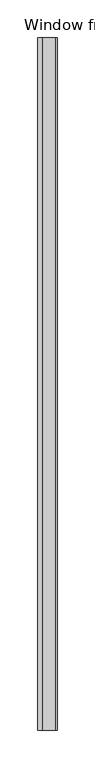
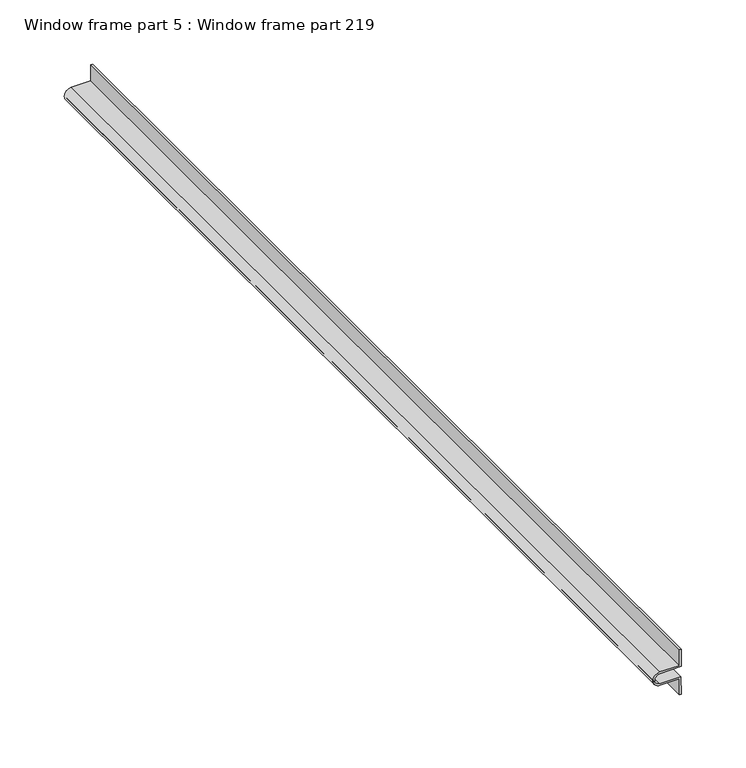
"""IFC4 building model written with IfcOpenShell, lengths in millimetres: proxy geometry, Window frame part 5 : Window frame part 219."""

from ifc_helpers import new_model, si_unit, point, frame, frame_2d, origin, place, context, project, spatial, polyline, circle_curve, trimmed, segment, composite_curve, outline, extrude, source, transform, mapped, element, save


def window_frame_part_5_window_frame_part_219_36351f6a(model_context):
    return source(origin(), model_context, "Body", "SweptSolid", [
        extrude(outline(composite_curve([segment(polyline([(1986.2124578, 37024.4239553), (1971.1312078, 37024.4239553), (1971.1312078, 37026.0114553), (1987.7999578, 37025.7574553), (1987.7999578, 37006.9614553)]), True, "CONTINUOUS"), segment(trimmed(circle_curve(frame_2d((1992.5624578, 37006.9614553)), 4.7625), [point((1987.7999578, 37006.9614553))], [point((1997.3249578, 37006.9614553))], True, "CARTESIAN"), True, "CONTINUOUS"), segment(polyline([(1997.3249578, 37006.9614553), (1997.5789578, 37026.0114553), (2013.9937078, 37026.0114553), (2013.9937078, 37024.4239553), (1998.9124578, 37024.4239553), (1998.9124578, 37006.9614553)]), True, "CONTINUOUS"), segment(trimmed(circle_curve(frame_2d((1992.5624578, 37006.9614553)), 6.35), [point((1998.9124578, 37006.9614553))], [point((1986.2124578, 37006.9614553))], False, "CARTESIAN"), True, "CONTINUOUS"), segment(polyline([(1986.2124578, 37006.9614553), (1986.2124578, 37024.4239553)]), True, "CONTINUOUS")], self_intersect=False)), frame((0.0, -25196.3529946, 0.0), z_axis=(0.0, 1.0, 0.0), x_axis=(0.0, 0.0, 1.0)), (0.0, 0.0, 1.0), 914.4),
    ])


if __name__ == "__main__":
    model = new_model("IFC4")
    model_context = context("Model", 3, world=origin())
    ifc_project = project(units=[si_unit("LENGTHUNIT", "METRE", prefix="MILLI")], contexts=[model_context])
    site = spatial("IfcSite", under=ifc_project)
    building = spatial("IfcBuilding", under=site)
    placement = place(None, origin())
    window_frame_part_5_window_frame_part_219_shape = window_frame_part_5_window_frame_part_219_36351f6a(model_context)
    element("IfcBuildingElementProxy", 1, Name="Window frame part 5 : Window frame part 219", ObjectType="Window frame part 5 : Window frame part 219", at=placement, inside=building, context=model_context, shape_type="MappedRepresentation", body=[
        mapped(window_frame_part_5_window_frame_part_219_shape, transform((0.0, 0.0, 0.0), x_axis=(1.0, 0.0, 0.0), y_axis=(0.0, 1.0, 0.0), z_axis=(0.0, 0.0, 1.0))),
    ])
    save(model, "model.ifc")
